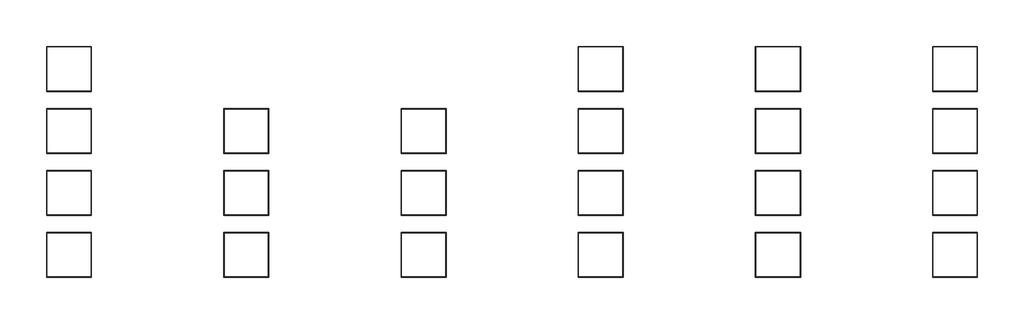
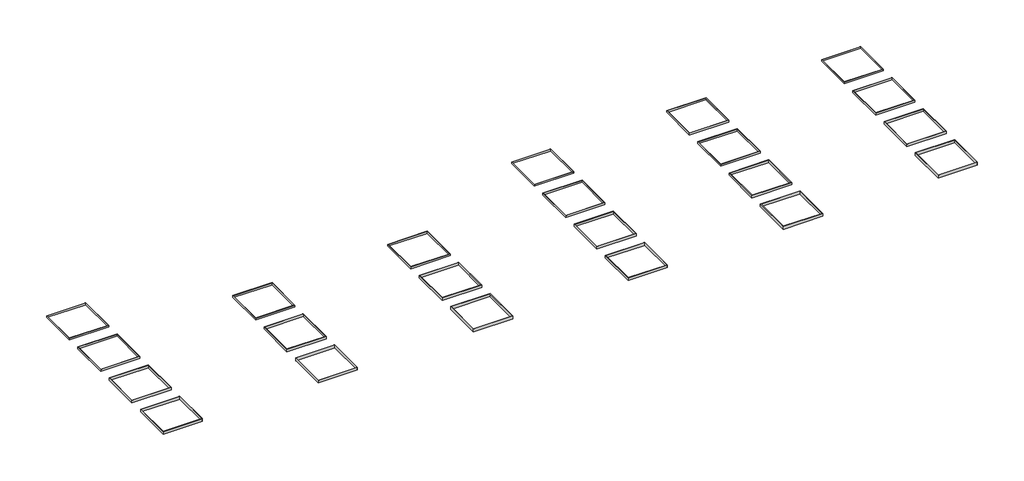
# One storey: 22 proxies.
"""IFC4 building model written with IfcOpenShell, lengths in millimetres."""

from ifc_helpers import new_model, si_unit, origin, place, context, project, spatial, faceted_brep, element, save

model = new_model("IFC4")

# Units and contexts
model_context = context("Model", 3, world=origin())
ifc_project = project(units=[si_unit("LENGTHUNIT", "METRE", prefix="MILLI")], contexts=[model_context])

# Site, building, storey
site = spatial("IfcSite", under=ifc_project)
building = spatial("IfcBuilding", under=site)
storey = spatial("IfcBuildingStorey", under=building, Elevation=-900.0)

# Proxies
placement = place(None, origin())
element("IfcBuildingElementProxy", 1, Name="Slab Edges", at=placement, inside=storey, context=model_context, shape_type="Brep", body=[
    faceted_brep([(-66197.8841022, 2151.4236863, 0.0), (-66247.8841022, 2201.4236863, 0.0), (-66247.8841022, -2898.5763137, 0.0), (-66197.8841022, -2848.5763137, 0.0), (-66197.8841022, 2151.4236863, -375.0), (-66197.8841022, -2848.5763137, -375.0), (-66247.8841022, 2201.4236863, -375.0), (-66247.8841022, -2898.5763137, -375.0), (-61147.8841022, -2898.5763137, 0.0), (-61197.8841022, -2848.5763137, 0.0), (-61197.8841022, -2848.5763137, -375.0), (-61147.8841022, -2898.5763137, -375.0), (-61147.8841022, 2201.4236863, 0.0), (-61197.8841022, 2151.4236863, 0.0), (-61197.8841022, 2151.4236863, -375.0), (-61147.8841022, 2201.4236863, -375.0)], [[[0, 1, 2, 3]], [[4, 0, 3, 5]], [[6, 4, 5, 7]], [[1, 6, 7, 2]], [[3, 2, 8, 9]], [[5, 3, 9, 10]], [[7, 5, 10, 11]], [[2, 7, 11, 8]], [[9, 8, 12, 13]], [[10, 9, 13, 14]], [[11, 10, 14, 15]], [[8, 11, 15, 12]], [[1, 0, 13, 12]], [[0, 4, 14, 13]], [[4, 6, 15, 14]], [[6, 1, 12, 15]]]),
])
element("IfcBuildingElementProxy", 2, Name="Slab Edges", at=placement, inside=storey, context=model_context, shape_type="Brep", body=[
    faceted_brep([(-66197.8841022, 16151.4236863, 0.0), (-66247.8841022, 16201.4236863, 0.0), (-66247.8841022, 11101.4236863, 0.0), (-66197.8841022, 11151.4236863, 0.0), (-66197.8841022, 16151.4236863, -250.0), (-66197.8841022, 11151.4236863, -250.0), (-66247.8841022, 16201.4236863, -250.0), (-66247.8841022, 11101.4236863, -250.0), (-61147.8841022, 11101.4236863, 0.0), (-61197.8841022, 11151.4236863, 0.0), (-61197.8841022, 11151.4236863, -250.0), (-61147.8841022, 11101.4236863, -250.0), (-61147.8841022, 16201.4236863, 0.0), (-61197.8841022, 16151.4236863, 0.0), (-61197.8841022, 16151.4236863, -250.0), (-61147.8841022, 16201.4236863, -250.0)], [[[0, 1, 2, 3]], [[4, 0, 3, 5]], [[6, 4, 5, 7]], [[1, 6, 7, 2]], [[3, 2, 8, 9]], [[5, 3, 9, 10]], [[7, 5, 10, 11]], [[2, 7, 11, 8]], [[9, 8, 12, 13]], [[10, 9, 13, 14]], [[11, 10, 14, 15]], [[8, 11, 15, 12]], [[1, 0, 13, 12]], [[0, 4, 14, 13]], [[4, 6, 15, 14]], [[6, 1, 12, 15]]]),
])
element("IfcBuildingElementProxy", 3, Name="Slab Edges", at=placement, inside=storey, context=model_context, shape_type="Brep", body=[
    faceted_brep([(-6222.8841022, 9151.4236863, 0.0), (-6257.8841022, 9186.4236863, 0.0), (-6257.8841022, 4116.4236863, 0.0), (-6222.8841022, 4151.4236863, 0.0), (-6222.8841022, 9151.4236863, -325.0), (-6222.8841022, 4151.4236863, -325.0), (-6257.8841022, 9186.4236863, -325.0), (-6257.8841022, 4116.4236863, -325.0), (-1187.8841022, 4116.4236863, 0.0), (-1222.8841022, 4151.4236863, 0.0), (-1222.8841022, 4151.4236863, -325.0), (-1187.8841022, 4116.4236863, -325.0), (-1187.8841022, 9186.4236863, 0.0), (-1222.8841022, 9151.4236863, 0.0), (-1222.8841022, 9151.4236863, -325.0), (-1187.8841022, 9186.4236863, -325.0)], [[[0, 1, 2, 3]], [[4, 0, 3, 5]], [[6, 4, 5, 7]], [[1, 6, 7, 2]], [[3, 2, 8, 9]], [[5, 3, 9, 10]], [[7, 5, 10, 11]], [[2, 7, 11, 8]], [[9, 8, 12, 13]], [[10, 9, 13, 14]], [[11, 10, 14, 15]], [[8, 11, 15, 12]], [[1, 0, 13, 12]], [[0, 4, 14, 13]], [[4, 6, 15, 14]], [[6, 1, 12, 15]]]),
])
element("IfcBuildingElementProxy", 4, Name="Slab Edges", at=placement, inside=storey, context=model_context, shape_type="Brep", body=[
    faceted_brep([(-6222.8841022, 2151.4236863, 0.0), (-6257.8841022, 2186.4236863, 0.0), (-6257.8841022, -2883.5763137, 0.0), (-6222.8841022, -2848.5763137, 0.0), (-6222.8841022, 2151.4236863, -375.0), (-6222.8841022, -2848.5763137, -375.0), (-6257.8841022, 2186.4236863, -375.0), (-6257.8841022, -2883.5763137, -375.0), (-1187.8841022, -2883.5763137, 0.0), (-1222.8841022, -2848.5763137, 0.0), (-1222.8841022, -2848.5763137, -375.0), (-1187.8841022, -2883.5763137, -375.0), (-1187.8841022, 2186.4236863, 0.0), (-1222.8841022, 2151.4236863, 0.0), (-1222.8841022, 2151.4236863, -375.0), (-1187.8841022, 2186.4236863, -375.0)], [[[0, 1, 2, 3]], [[4, 0, 3, 5]], [[6, 4, 5, 7]], [[1, 6, 7, 2]], [[3, 2, 8, 9]], [[5, 3, 9, 10]], [[7, 5, 10, 11]], [[2, 7, 11, 8]], [[9, 8, 12, 13]], [[10, 9, 13, 14]], [[11, 10, 14, 15]], [[8, 11, 15, 12]], [[1, 0, 13, 12]], [[0, 4, 14, 13]], [[4, 6, 15, 14]], [[6, 1, 12, 15]]]),
])
element("IfcBuildingElementProxy", 5, Name="Slab Edges", at=placement, inside=storey, context=model_context, shape_type="Brep", body=[
    faceted_brep([(-6222.8841022, 16151.4236863, 0.0), (-6257.8841022, 16186.4236863, 0.0), (-6257.8841022, 11116.4236863, 0.0), (-6222.8841022, 11151.4236863, 0.0), (-6222.8841022, 16151.4236863, -250.0), (-6222.8841022, 11151.4236863, -250.0), (-6257.8841022, 16186.4236863, -250.0), (-6257.8841022, 11116.4236863, -250.0), (-1187.8841022, 11116.4236863, 0.0), (-1222.8841022, 11151.4236863, 0.0), (-1222.8841022, 11151.4236863, -250.0), (-1187.8841022, 11116.4236863, -250.0), (-1187.8841022, 16186.4236863, 0.0), (-1222.8841022, 16151.4236863, 0.0), (-1222.8841022, 16151.4236863, -250.0), (-1187.8841022, 16186.4236863, -250.0)], [[[0, 1, 2, 3]], [[4, 0, 3, 5]], [[6, 4, 5, 7]], [[1, 6, 7, 2]], [[3, 2, 8, 9]], [[5, 3, 9, 10]], [[7, 5, 10, 11]], [[2, 7, 11, 8]], [[9, 8, 12, 13]], [[10, 9, 13, 14]], [[11, 10, 14, 15]], [[8, 11, 15, 12]], [[1, 0, 13, 12]], [[0, 4, 14, 13]], [[4, 6, 15, 14]], [[6, 1, 12, 15]]]),
])
element("IfcBuildingElementProxy", 6, Name="Slab Edges", at=placement, inside=storey, context=model_context, shape_type="Brep", body=[
    faceted_brep([(-6222.8841022, 23151.4236863, 0.0), (-6257.8841022, 23186.4236863, 0.0), (-6257.8841022, 18116.4236863, 0.0), (-6222.8841022, 18151.4236863, 0.0), (-6222.8841022, 23151.4236863, -225.0), (-6222.8841022, 18151.4236863, -225.0), (-6257.8841022, 23186.4236863, -225.0), (-6257.8841022, 18116.4236863, -225.0), (-1187.8841022, 18116.4236863, 0.0), (-1222.8841022, 18151.4236863, 0.0), (-1222.8841022, 18151.4236863, -225.0), (-1187.8841022, 18116.4236863, -225.0), (-1187.8841022, 23186.4236863, 0.0), (-1222.8841022, 23151.4236863, 0.0), (-1222.8841022, 23151.4236863, -225.0), (-1187.8841022, 23186.4236863, -225.0)], [[[0, 1, 2, 3]], [[4, 0, 3, 5]], [[6, 4, 5, 7]], [[1, 6, 7, 2]], [[3, 2, 8, 9]], [[5, 3, 9, 10]], [[7, 5, 10, 11]], [[2, 7, 11, 8]], [[9, 8, 12, 13]], [[10, 9, 13, 14]], [[11, 10, 14, 15]], [[8, 11, 15, 12]], [[1, 0, 13, 12]], [[0, 4, 14, 13]], [[4, 6, 15, 14]], [[6, 1, 12, 15]]]),
])
element("IfcBuildingElementProxy", 7, Name="Slab Edges", at=placement, inside=storey, context=model_context, shape_type="Brep", body=[
    faceted_brep([(-46222.8841022, 9151.4236863, 0.0), (-46257.8841022, 9186.4236863, 0.0), (-46257.8841022, 4116.4236863, 0.0), (-46222.8841022, 4151.4236863, 0.0), (-46222.8841022, 9151.4236863, -325.0), (-46222.8841022, 4151.4236863, -325.0), (-46257.8841022, 9186.4236863, -325.0), (-46257.8841022, 4116.4236863, -325.0), (-41187.8841022, 4116.4236863, 0.0), (-41222.8841022, 4151.4236863, 0.0), (-41222.8841022, 4151.4236863, -325.0), (-41187.8841022, 4116.4236863, -325.0), (-41187.8841022, 9186.4236863, 0.0), (-41222.8841022, 9151.4236863, 0.0), (-41222.8841022, 9151.4236863, -325.0), (-41187.8841022, 9186.4236863, -325.0)], [[[0, 1, 2, 3]], [[4, 0, 3, 5]], [[6, 4, 5, 7]], [[1, 6, 7, 2]], [[3, 2, 8, 9]], [[5, 3, 9, 10]], [[7, 5, 10, 11]], [[2, 7, 11, 8]], [[9, 8, 12, 13]], [[10, 9, 13, 14]], [[11, 10, 14, 15]], [[8, 11, 15, 12]], [[1, 0, 13, 12]], [[0, 4, 14, 13]], [[4, 6, 15, 14]], [[6, 1, 12, 15]]]),
])
element("IfcBuildingElementProxy", 8, Name="Slab Edges", at=placement, inside=storey, context=model_context, shape_type="Brep", body=[
    faceted_brep([(-46222.8841022, 2151.4236863, 0.0), (-46257.8841022, 2186.4236863, 0.0), (-46257.8841022, -2883.5763137, 0.0), (-46222.8841022, -2848.5763137, 0.0), (-46222.8841022, 2151.4236863, -375.0), (-46222.8841022, -2848.5763137, -375.0), (-46257.8841022, 2186.4236863, -375.0), (-46257.8841022, -2883.5763137, -375.0), (-41187.8841022, -2883.5763137, 0.0), (-41222.8841022, -2848.5763137, 0.0), (-41222.8841022, -2848.5763137, -375.0), (-41187.8841022, -2883.5763137, -375.0), (-41187.8841022, 2186.4236863, 0.0), (-41222.8841022, 2151.4236863, 0.0), (-41222.8841022, 2151.4236863, -375.0), (-41187.8841022, 2186.4236863, -375.0)], [[[0, 1, 2, 3]], [[4, 0, 3, 5]], [[6, 4, 5, 7]], [[1, 6, 7, 2]], [[3, 2, 8, 9]], [[5, 3, 9, 10]], [[7, 5, 10, 11]], [[2, 7, 11, 8]], [[9, 8, 12, 13]], [[10, 9, 13, 14]], [[11, 10, 14, 15]], [[8, 11, 15, 12]], [[1, 0, 13, 12]], [[0, 4, 14, 13]], [[4, 6, 15, 14]], [[6, 1, 12, 15]]]),
])
element("IfcBuildingElementProxy", 9, Name="Slab Edges", at=placement, inside=storey, context=model_context, shape_type="Brep", body=[
    faceted_brep([(-46222.8841022, 16151.4236863, 0.0), (-46257.8841022, 16186.4236863, 0.0), (-46257.8841022, 11116.4236863, 0.0), (-46222.8841022, 11151.4236863, 0.0), (-46222.8841022, 16151.4236863, -250.0), (-46222.8841022, 11151.4236863, -250.0), (-46257.8841022, 16186.4236863, -250.0), (-46257.8841022, 11116.4236863, -250.0), (-41187.8841022, 11116.4236863, 0.0), (-41222.8841022, 11151.4236863, 0.0), (-41222.8841022, 11151.4236863, -250.0), (-41187.8841022, 11116.4236863, -250.0), (-41187.8841022, 16186.4236863, 0.0), (-41222.8841022, 16151.4236863, 0.0), (-41222.8841022, 16151.4236863, -250.0), (-41187.8841022, 16186.4236863, -250.0)], [[[0, 1, 2, 3]], [[4, 0, 3, 5]], [[6, 4, 5, 7]], [[1, 6, 7, 2]], [[3, 2, 8, 9]], [[5, 3, 9, 10]], [[7, 5, 10, 11]], [[2, 7, 11, 8]], [[9, 8, 12, 13]], [[10, 9, 13, 14]], [[11, 10, 14, 15]], [[8, 11, 15, 12]], [[1, 0, 13, 12]], [[0, 4, 14, 13]], [[4, 6, 15, 14]], [[6, 1, 12, 15]]]),
])
element("IfcBuildingElementProxy", 10, Name="Slab Edges", at=placement, inside=storey, context=model_context, shape_type="Brep", body=[
    faceted_brep([(-46222.8841022, 23151.4236863, 0.0), (-46257.8841022, 23186.4236863, 0.0), (-46257.8841022, 18116.4236863, 0.0), (-46222.8841022, 18151.4236863, 0.0), (-46222.8841022, 23151.4236863, -225.0), (-46222.8841022, 18151.4236863, -225.0), (-46257.8841022, 23186.4236863, -225.0), (-46257.8841022, 18116.4236863, -225.0), (-41187.8841022, 18116.4236863, 0.0), (-41222.8841022, 18151.4236863, 0.0), (-41222.8841022, 18151.4236863, -225.0), (-41187.8841022, 18116.4236863, -225.0), (-41187.8841022, 23186.4236863, 0.0), (-41222.8841022, 23151.4236863, 0.0), (-41222.8841022, 23151.4236863, -225.0), (-41187.8841022, 23186.4236863, -225.0)], [[[0, 1, 2, 3]], [[4, 0, 3, 5]], [[6, 4, 5, 7]], [[1, 6, 7, 2]], [[3, 2, 8, 9]], [[5, 3, 9, 10]], [[7, 5, 10, 11]], [[2, 7, 11, 8]], [[9, 8, 12, 13]], [[10, 9, 13, 14]], [[11, 10, 14, 15]], [[8, 11, 15, 12]], [[1, 0, 13, 12]], [[0, 4, 14, 13]], [[4, 6, 15, 14]], [[6, 1, 12, 15]]]),
])
element("IfcBuildingElementProxy", 11, Name="Slab Edges", at=placement, inside=storey, context=model_context, shape_type="Brep", body=[
    faceted_brep([(-66197.8841022, 9151.4236863, 0.0), (-66247.8841022, 9201.4236863, 0.0), (-66247.8841022, 4101.4236863, 0.0), (-66197.8841022, 4151.4236863, 0.0), (-66197.8841022, 9151.4236863, -325.0), (-66197.8841022, 4151.4236863, -325.0), (-66247.8841022, 9201.4236863, -325.0), (-66247.8841022, 4101.4236863, -325.0), (-61147.8841022, 4101.4236863, 0.0), (-61197.8841022, 4151.4236863, 0.0), (-61197.8841022, 4151.4236863, -325.0), (-61147.8841022, 4101.4236863, -325.0), (-61147.8841022, 9201.4236863, 0.0), (-61197.8841022, 9151.4236863, 0.0), (-61197.8841022, 9151.4236863, -325.0), (-61147.8841022, 9201.4236863, -325.0)], [[[0, 1, 2, 3]], [[4, 0, 3, 5]], [[6, 4, 5, 7]], [[1, 6, 7, 2]], [[3, 2, 8, 9]], [[5, 3, 9, 10]], [[7, 5, 10, 11]], [[2, 7, 11, 8]], [[9, 8, 12, 13]], [[10, 9, 13, 14]], [[11, 10, 14, 15]], [[8, 11, 15, 12]], [[1, 0, 13, 12]], [[0, 4, 14, 13]], [[4, 6, 15, 14]], [[6, 1, 12, 15]]]),
])
element("IfcBuildingElementProxy", 12, Name="Slab Edges", at=placement, inside=storey, context=model_context, shape_type="Brep", body=[
    faceted_brep([(-26197.8841022, 2151.4236863, 0.0), (-26247.8841022, 2201.4236863, 0.0), (-26247.8841022, -2898.5763137, 0.0), (-26197.8841022, -2848.5763137, 0.0), (-26197.8841022, 2151.4236863, -375.0), (-26197.8841022, -2848.5763137, -375.0), (-26247.8841022, 2201.4236863, -375.0), (-26247.8841022, -2898.5763137, -375.0), (-21147.8841022, -2898.5763137, 0.0), (-21197.8841022, -2848.5763137, 0.0), (-21197.8841022, -2848.5763137, -375.0), (-21147.8841022, -2898.5763137, -375.0), (-21147.8841022, 2201.4236863, 0.0), (-21197.8841022, 2151.4236863, 0.0), (-21197.8841022, 2151.4236863, -375.0), (-21147.8841022, 2201.4236863, -375.0)], [[[0, 1, 2, 3]], [[4, 0, 3, 5]], [[6, 4, 5, 7]], [[1, 6, 7, 2]], [[3, 2, 8, 9]], [[5, 3, 9, 10]], [[7, 5, 10, 11]], [[2, 7, 11, 8]], [[9, 8, 12, 13]], [[10, 9, 13, 14]], [[11, 10, 14, 15]], [[8, 11, 15, 12]], [[1, 0, 13, 12]], [[0, 4, 14, 13]], [[4, 6, 15, 14]], [[6, 1, 12, 15]]]),
])
element("IfcBuildingElementProxy", 13, Name="Slab Edges", at=placement, inside=storey, context=model_context, shape_type="Brep", body=[
    faceted_brep([(-26197.8841022, 16151.4236863, 0.0), (-26247.8841022, 16201.4236863, 0.0), (-26247.8841022, 11101.4236863, 0.0), (-26197.8841022, 11151.4236863, 0.0), (-26197.8841022, 16151.4236863, -250.0), (-26197.8841022, 11151.4236863, -250.0), (-26247.8841022, 16201.4236863, -250.0), (-26247.8841022, 11101.4236863, -250.0), (-21147.8841022, 11101.4236863, 0.0), (-21197.8841022, 11151.4236863, 0.0), (-21197.8841022, 11151.4236863, -250.0), (-21147.8841022, 11101.4236863, -250.0), (-21147.8841022, 16201.4236863, 0.0), (-21197.8841022, 16151.4236863, 0.0), (-21197.8841022, 16151.4236863, -250.0), (-21147.8841022, 16201.4236863, -250.0)], [[[0, 1, 2, 3]], [[4, 0, 3, 5]], [[6, 4, 5, 7]], [[1, 6, 7, 2]], [[3, 2, 8, 9]], [[5, 3, 9, 10]], [[7, 5, 10, 11]], [[2, 7, 11, 8]], [[9, 8, 12, 13]], [[10, 9, 13, 14]], [[11, 10, 14, 15]], [[8, 11, 15, 12]], [[1, 0, 13, 12]], [[0, 4, 14, 13]], [[4, 6, 15, 14]], [[6, 1, 12, 15]]]),
])
element("IfcBuildingElementProxy", 14, Name="Slab Edges", at=placement, inside=storey, context=model_context, shape_type="Brep", body=[
    faceted_brep([(-26197.8841022, 23151.4236863, 0.0), (-26247.8841022, 23201.4236863, 0.0), (-26247.8841022, 18101.4236863, 0.0), (-26197.8841022, 18151.4236863, 0.0), (-26197.8841022, 23151.4236863, -225.0), (-26197.8841022, 18151.4236863, -225.0), (-26247.8841022, 23201.4236863, -225.0), (-26247.8841022, 18101.4236863, -225.0), (-21147.8841022, 18101.4236863, 0.0), (-21197.8841022, 18151.4236863, 0.0), (-21197.8841022, 18151.4236863, -225.0), (-21147.8841022, 18101.4236863, -225.0), (-21147.8841022, 23201.4236863, 0.0), (-21197.8841022, 23151.4236863, 0.0), (-21197.8841022, 23151.4236863, -225.0), (-21147.8841022, 23201.4236863, -225.0)], [[[0, 1, 2, 3]], [[4, 0, 3, 5]], [[6, 4, 5, 7]], [[1, 6, 7, 2]], [[3, 2, 8, 9]], [[5, 3, 9, 10]], [[7, 5, 10, 11]], [[2, 7, 11, 8]], [[9, 8, 12, 13]], [[10, 9, 13, 14]], [[11, 10, 14, 15]], [[8, 11, 15, 12]], [[1, 0, 13, 12]], [[0, 4, 14, 13]], [[4, 6, 15, 14]], [[6, 1, 12, 15]]]),
])
element("IfcBuildingElementProxy", 15, Name="Slab Edges", at=placement, inside=storey, context=model_context, shape_type="Brep", body=[
    faceted_brep([(-26197.8841022, 9151.4236863, 0.0), (-26247.8841022, 9201.4236863, 0.0), (-26247.8841022, 4101.4236863, 0.0), (-26197.8841022, 4151.4236863, 0.0), (-26197.8841022, 9151.4236863, -325.0), (-26197.8841022, 4151.4236863, -325.0), (-26247.8841022, 9201.4236863, -325.0), (-26247.8841022, 4101.4236863, -325.0), (-21147.8841022, 4101.4236863, 0.0), (-21197.8841022, 4151.4236863, 0.0), (-21197.8841022, 4151.4236863, -325.0), (-21147.8841022, 4101.4236863, -325.0), (-21147.8841022, 9201.4236863, 0.0), (-21197.8841022, 9151.4236863, 0.0), (-21197.8841022, 9151.4236863, -325.0), (-21147.8841022, 9201.4236863, -325.0)], [[[0, 1, 2, 3]], [[4, 0, 3, 5]], [[6, 4, 5, 7]], [[1, 6, 7, 2]], [[3, 2, 8, 9]], [[5, 3, 9, 10]], [[7, 5, 10, 11]], [[2, 7, 11, 8]], [[9, 8, 12, 13]], [[10, 9, 13, 14]], [[11, 10, 14, 15]], [[8, 11, 15, 12]], [[1, 0, 13, 12]], [[0, 4, 14, 13]], [[4, 6, 15, 14]], [[6, 1, 12, 15]]]),
])
element("IfcBuildingElementProxy", 16, Name="Slab Edges", at=placement, inside=storey, context=model_context, shape_type="Brep", body=[
    faceted_brep([(-86222.8841022, 9151.4236863, 0.0), (-86257.8841022, 9186.4236863, 0.0), (-86257.8841022, 4116.4236863, 0.0), (-86222.8841022, 4151.4236863, 0.0), (-86222.8841022, 9151.4236863, -325.0), (-86222.8841022, 4151.4236863, -325.0), (-86257.8841022, 9186.4236863, -325.0), (-86257.8841022, 4116.4236863, -325.0), (-81187.8841022, 4116.4236863, 0.0), (-81222.8841022, 4151.4236863, 0.0), (-81222.8841022, 4151.4236863, -325.0), (-81187.8841022, 4116.4236863, -325.0), (-81187.8841022, 9186.4236863, 0.0), (-81222.8841022, 9151.4236863, 0.0), (-81222.8841022, 9151.4236863, -325.0), (-81187.8841022, 9186.4236863, -325.0)], [[[0, 1, 2, 3]], [[4, 0, 3, 5]], [[6, 4, 5, 7]], [[1, 6, 7, 2]], [[3, 2, 8, 9]], [[5, 3, 9, 10]], [[7, 5, 10, 11]], [[2, 7, 11, 8]], [[9, 8, 12, 13]], [[10, 9, 13, 14]], [[11, 10, 14, 15]], [[8, 11, 15, 12]], [[1, 0, 13, 12]], [[0, 4, 14, 13]], [[4, 6, 15, 14]], [[6, 1, 12, 15]]]),
])
element("IfcBuildingElementProxy", 17, Name="Slab Edges", at=placement, inside=storey, context=model_context, shape_type="Brep", body=[
    faceted_brep([(-86222.8841022, 2151.4236863, 0.0), (-86257.8841022, 2186.4236863, 0.0), (-86257.8841022, -2883.5763137, 0.0), (-86222.8841022, -2848.5763137, 0.0), (-86222.8841022, 2151.4236863, -375.0), (-86222.8841022, -2848.5763137, -375.0), (-86257.8841022, 2186.4236863, -375.0), (-86257.8841022, -2883.5763137, -375.0), (-81187.8841022, -2883.5763137, 0.0), (-81222.8841022, -2848.5763137, 0.0), (-81222.8841022, -2848.5763137, -375.0), (-81187.8841022, -2883.5763137, -375.0), (-81187.8841022, 2186.4236863, 0.0), (-81222.8841022, 2151.4236863, 0.0), (-81222.8841022, 2151.4236863, -375.0), (-81187.8841022, 2186.4236863, -375.0)], [[[0, 1, 2, 3]], [[4, 0, 3, 5]], [[6, 4, 5, 7]], [[1, 6, 7, 2]], [[3, 2, 8, 9]], [[5, 3, 9, 10]], [[7, 5, 10, 11]], [[2, 7, 11, 8]], [[9, 8, 12, 13]], [[10, 9, 13, 14]], [[11, 10, 14, 15]], [[8, 11, 15, 12]], [[1, 0, 13, 12]], [[0, 4, 14, 13]], [[4, 6, 15, 14]], [[6, 1, 12, 15]]]),
])
element("IfcBuildingElementProxy", 18, Name="Slab Edges", at=placement, inside=storey, context=model_context, shape_type="Brep", body=[
    faceted_brep([(-86222.8841022, 16151.4236863, 0.0), (-86257.8841022, 16186.4236863, 0.0), (-86257.8841022, 11116.4236863, 0.0), (-86222.8841022, 11151.4236863, 0.0), (-86222.8841022, 16151.4236863, -250.0), (-86222.8841022, 11151.4236863, -250.0), (-86257.8841022, 16186.4236863, -250.0), (-86257.8841022, 11116.4236863, -250.0), (-81187.8841022, 11116.4236863, 0.0), (-81222.8841022, 11151.4236863, 0.0), (-81222.8841022, 11151.4236863, -250.0), (-81187.8841022, 11116.4236863, -250.0), (-81187.8841022, 16186.4236863, 0.0), (-81222.8841022, 16151.4236863, 0.0), (-81222.8841022, 16151.4236863, -250.0), (-81187.8841022, 16186.4236863, -250.0)], [[[0, 1, 2, 3]], [[4, 0, 3, 5]], [[6, 4, 5, 7]], [[1, 6, 7, 2]], [[3, 2, 8, 9]], [[5, 3, 9, 10]], [[7, 5, 10, 11]], [[2, 7, 11, 8]], [[9, 8, 12, 13]], [[10, 9, 13, 14]], [[11, 10, 14, 15]], [[8, 11, 15, 12]], [[1, 0, 13, 12]], [[0, 4, 14, 13]], [[4, 6, 15, 14]], [[6, 1, 12, 15]]]),
])
element("IfcBuildingElementProxy", 19, Name="Slab Edges", at=placement, inside=storey, context=model_context, shape_type="Brep", body=[
    faceted_brep([(-106222.8841022, 9151.4236863, 0.0), (-106257.8841022, 9186.4236863, 0.0), (-106257.8841022, 4116.4236863, 0.0), (-106222.8841022, 4151.4236863, 0.0), (-106222.8841022, 9151.4236863, -325.0), (-106222.8841022, 4151.4236863, -325.0), (-106257.8841022, 9186.4236863, -325.0), (-106257.8841022, 4116.4236863, -325.0), (-101187.8841022, 4116.4236863, 0.0), (-101222.8841022, 4151.4236863, 0.0), (-101222.8841022, 4151.4236863, -325.0), (-101187.8841022, 4116.4236863, -325.0), (-101187.8841022, 9186.4236863, 0.0), (-101222.8841022, 9151.4236863, 0.0), (-101222.8841022, 9151.4236863, -325.0), (-101187.8841022, 9186.4236863, -325.0)], [[[0, 1, 2, 3]], [[4, 0, 3, 5]], [[6, 4, 5, 7]], [[1, 6, 7, 2]], [[3, 2, 8, 9]], [[5, 3, 9, 10]], [[7, 5, 10, 11]], [[2, 7, 11, 8]], [[9, 8, 12, 13]], [[10, 9, 13, 14]], [[11, 10, 14, 15]], [[8, 11, 15, 12]], [[1, 0, 13, 12]], [[0, 4, 14, 13]], [[4, 6, 15, 14]], [[6, 1, 12, 15]]]),
])
element("IfcBuildingElementProxy", 20, Name="Slab Edges", at=placement, inside=storey, context=model_context, shape_type="Brep", body=[
    faceted_brep([(-106222.8841022, 2151.4236863, 0.0), (-106257.8841022, 2186.4236863, 0.0), (-106257.8841022, -2883.5763137, 0.0), (-106222.8841022, -2848.5763137, 0.0), (-106222.8841022, 2151.4236863, -375.0), (-106222.8841022, -2848.5763137, -375.0), (-106257.8841022, 2186.4236863, -375.0), (-106257.8841022, -2883.5763137, -375.0), (-101187.8841022, -2883.5763137, 0.0), (-101222.8841022, -2848.5763137, 0.0), (-101222.8841022, -2848.5763137, -375.0), (-101187.8841022, -2883.5763137, -375.0), (-101187.8841022, 2186.4236863, 0.0), (-101222.8841022, 2151.4236863, 0.0), (-101222.8841022, 2151.4236863, -375.0), (-101187.8841022, 2186.4236863, -375.0)], [[[0, 1, 2, 3]], [[4, 0, 3, 5]], [[6, 4, 5, 7]], [[1, 6, 7, 2]], [[3, 2, 8, 9]], [[5, 3, 9, 10]], [[7, 5, 10, 11]], [[2, 7, 11, 8]], [[9, 8, 12, 13]], [[10, 9, 13, 14]], [[11, 10, 14, 15]], [[8, 11, 15, 12]], [[1, 0, 13, 12]], [[0, 4, 14, 13]], [[4, 6, 15, 14]], [[6, 1, 12, 15]]]),
])
element("IfcBuildingElementProxy", 21, Name="Slab Edges", at=placement, inside=storey, context=model_context, shape_type="Brep", body=[
    faceted_brep([(-106222.8841022, 16151.4236863, 0.0), (-106257.8841022, 16186.4236863, 0.0), (-106257.8841022, 11116.4236863, 0.0), (-106222.8841022, 11151.4236863, 0.0), (-106222.8841022, 16151.4236863, -250.0), (-106222.8841022, 11151.4236863, -250.0), (-106257.8841022, 16186.4236863, -250.0), (-106257.8841022, 11116.4236863, -250.0), (-101187.8841022, 11116.4236863, 0.0), (-101222.8841022, 11151.4236863, 0.0), (-101222.8841022, 11151.4236863, -250.0), (-101187.8841022, 11116.4236863, -250.0), (-101187.8841022, 16186.4236863, 0.0), (-101222.8841022, 16151.4236863, 0.0), (-101222.8841022, 16151.4236863, -250.0), (-101187.8841022, 16186.4236863, -250.0)], [[[0, 1, 2, 3]], [[4, 0, 3, 5]], [[6, 4, 5, 7]], [[1, 6, 7, 2]], [[3, 2, 8, 9]], [[5, 3, 9, 10]], [[7, 5, 10, 11]], [[2, 7, 11, 8]], [[9, 8, 12, 13]], [[10, 9, 13, 14]], [[11, 10, 14, 15]], [[8, 11, 15, 12]], [[1, 0, 13, 12]], [[0, 4, 14, 13]], [[4, 6, 15, 14]], [[6, 1, 12, 15]]]),
])
element("IfcBuildingElementProxy", 22, Name="Slab Edges", at=placement, inside=storey, context=model_context, shape_type="Brep", body=[
    faceted_brep([(-106222.8841022, 23151.4236863, 0.0), (-106257.8841022, 23186.4236863, 0.0), (-106257.8841022, 18116.4236863, 0.0), (-106222.8841022, 18151.4236863, 0.0), (-106222.8841022, 23151.4236863, -225.0), (-106222.8841022, 18151.4236863, -225.0), (-106257.8841022, 23186.4236863, -225.0), (-106257.8841022, 18116.4236863, -225.0), (-101187.8841022, 18116.4236863, 0.0), (-101222.8841022, 18151.4236863, 0.0), (-101222.8841022, 18151.4236863, -225.0), (-101187.8841022, 18116.4236863, -225.0), (-101187.8841022, 23186.4236863, 0.0), (-101222.8841022, 23151.4236863, 0.0), (-101222.8841022, 23151.4236863, -225.0), (-101187.8841022, 23186.4236863, -225.0)], [[[0, 1, 2, 3]], [[4, 0, 3, 5]], [[6, 4, 5, 7]], [[1, 6, 7, 2]], [[3, 2, 8, 9]], [[5, 3, 9, 10]], [[7, 5, 10, 11]], [[2, 7, 11, 8]], [[9, 8, 12, 13]], [[10, 9, 13, 14]], [[11, 10, 14, 15]], [[8, 11, 15, 12]], [[1, 0, 13, 12]], [[0, 4, 14, 13]], [[4, 6, 15, 14]], [[6, 1, 12, 15]]]),
])

save(model, "model.ifc")
